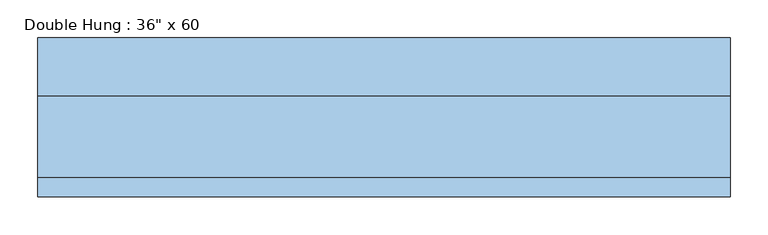
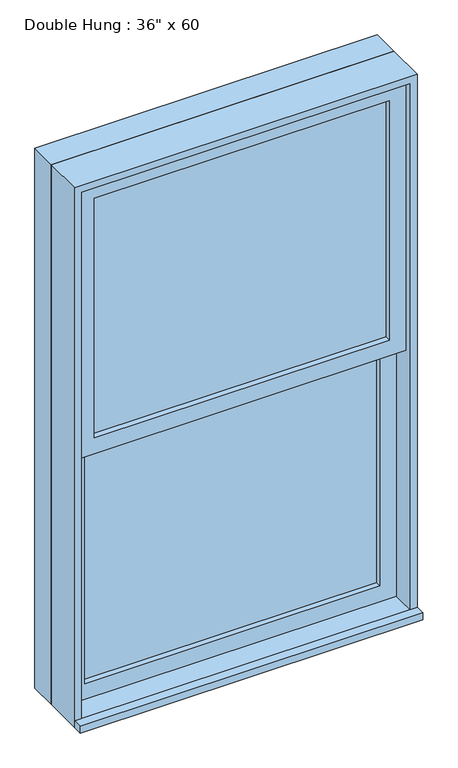
"""IFC4 building model written with IfcOpenShell, lengths in millimetres: window geometry."""

from ifc_helpers import new_model, si_unit, frame, origin, place, context, project, spatial, polyline, outline, extrude, source, transform, mapped, element, save


def window_f04dea49(model_context):
    return source(origin(), model_context, "Body", "SweptSolid", [
        extrude(outline(polyline([(-393.7, -12.7), (-393.7, 0.0), (393.7, 0.0), (393.7, -12.7), (-393.7, -12.7)])), frame((0.0, 0.0, 368.3), z_axis=(0.0, 0.0, 1.0), x_axis=(1.0, 0.0, 0.0)), (0.0, 0.0, 1.0), 676.275),
        extrude(outline(polyline([(1089.025, -438.15), (323.85, -438.15), (323.85, 438.15), (1089.025, 438.15), (1089.025, -438.15)]), holes=[polyline([(1044.575, -393.7), (1044.575, 393.7), (368.3, 393.7), (368.3, -393.7), (1044.575, -393.7)])]), frame((0.0, -28.575, 0.0), z_axis=(0.0, 1.0, 0.0), x_axis=(0.0, 0.0, 1.0)), (0.0, 0.0, 1.0), 44.45),
        extrude(outline(polyline([(-457.2, -117.475), (-457.2, -92.075), (457.2, -92.075), (457.2, -117.475), (-457.2, -117.475)])), frame((0.0, 0.0, 304.8), z_axis=(0.0, 0.0, 1.0), x_axis=(1.0, 0.0, 0.0)), (0.0, 0.0, 1.0), 19.05),
        extrude(outline(polyline([(393.7, -44.45), (393.7, -57.15), (-393.7, -57.15), (-393.7, -44.45), (393.7, -44.45)])), frame((0.0, 0.0, 1089.025), z_axis=(0.0, 0.0, 1.0), x_axis=(1.0, 0.0, 0.0)), (0.0, 0.0, 1.0), 676.275),
        extrude(outline(polyline([(1809.75, -438.15), (1044.575, -438.15), (1044.575, 438.15), (1809.75, 438.15), (1809.75, -438.15)]), holes=[polyline([(1765.3, -393.7), (1765.3, 393.7), (1089.025, 393.7), (1089.025, -393.7), (1765.3, -393.7)])]), frame((0.0, -73.025, 0.0), z_axis=(0.0, 1.0, 0.0), x_axis=(0.0, 0.0, 1.0)), (0.0, 0.0, 1.0), 44.45),
        extrude(outline(polyline([(1828.8, -457.2), (304.8, -457.2), (304.8, 457.2), (1828.8, 457.2), (1828.8, -457.2)]), holes=[polyline([(1797.05, -425.45), (1797.05, 425.45), (336.55, 425.45), (336.55, -425.45), (1797.05, -425.45)])]), frame((0.0, 15.875, 0.0), z_axis=(0.0, 1.0, 0.0), x_axis=(0.0, 0.0, 1.0)), (0.0, 0.0, 1.0), 76.2),
        extrude(outline(polyline([(1828.8, 457.2), (1828.8, -457.2), (304.8, -457.2), (304.8, 457.2), (1828.8, 457.2)]), holes=[polyline([(1809.75, 438.15), (323.85, 438.15), (323.85, -438.15), (1809.75, -438.15), (1809.75, 438.15)])]), frame((0.0, -92.075, 0.0), z_axis=(0.0, 1.0, 0.0), x_axis=(0.0, 0.0, 1.0)), (0.0, 0.0, 1.0), 107.95),
    ])


if __name__ == "__main__":
    model = new_model("IFC4")
    model_context = context("Model", 3, world=origin())
    ifc_project = project(units=[si_unit("LENGTHUNIT", "METRE", prefix="MILLI")], contexts=[model_context])
    site = spatial("IfcSite", under=ifc_project)
    building = spatial("IfcBuilding", under=site)
    placement = place(None, origin())
    window_shape = window_f04dea49(model_context)
    element("IfcWindow", 1, ObjectType="Double Hung : 36\" x 60", at=placement, inside=building, context=model_context, shape_type="MappedRepresentation", body=[
        mapped(window_shape, transform((0.0, 0.0, 0.0), x_axis=(1.0, 0.0, 0.0), y_axis=(0.0, 1.0, 0.0), z_axis=(0.0, 0.0, 1.0))),
    ])
    save(model, "model.ifc")
